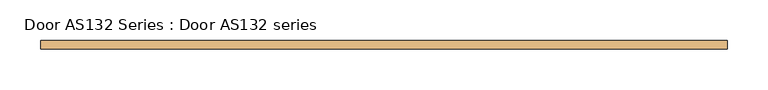
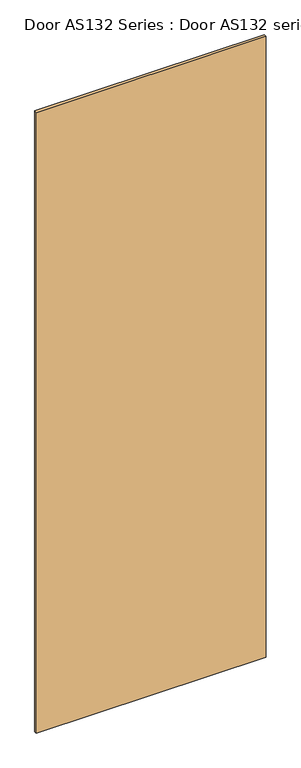
"""IFC4 building model written with IfcOpenShell, lengths in millimetres: door geometry, Door AS132 Series : Door AS132 series."""

from ifc_helpers import new_model, si_unit, frame, origin, place, context, project, spatial, polyline, outline, extrude, source, transform, mapped, element, save


def door_as132_series_door_as132_series_1aa9c050(model_context):
    return source(origin(), model_context, "Body", "SweptSolid", [
        extrude(outline(polyline([(414.1497585, 5.0), (414.1497585, -5.0), (-424.9581994, -5.0), (-424.9581994, 5.0), (414.1497585, 5.0)])), frame((0.0, 0.0, 1.5559478), z_axis=(0.0, 0.0, 1.0), x_axis=(1.0, 0.0, 0.0)), (0.0, 0.0, 1.0), 2397.1707403),
    ])


if __name__ == "__main__":
    model = new_model("IFC4")
    model_context = context("Model", 3, world=origin())
    ifc_project = project(units=[si_unit("LENGTHUNIT", "METRE", prefix="MILLI")], contexts=[model_context])
    site = spatial("IfcSite", under=ifc_project)
    building = spatial("IfcBuilding", under=site)
    placement = place(None, origin())
    door_as132_series_door_as132_series_shape = door_as132_series_door_as132_series_1aa9c050(model_context)
    element("IfcDoor", 1, ObjectType="Door AS132 Series : Door AS132 series", at=placement, inside=building, context=model_context, shape_type="MappedRepresentation", body=[
        mapped(door_as132_series_door_as132_series_shape, transform((0.0, 0.0, 0.0), x_axis=(1.0, 0.0, 0.0), y_axis=(0.0, 1.0, 0.0), z_axis=(0.0, 0.0, 1.0))),
    ])
    save(model, "model.ifc")
